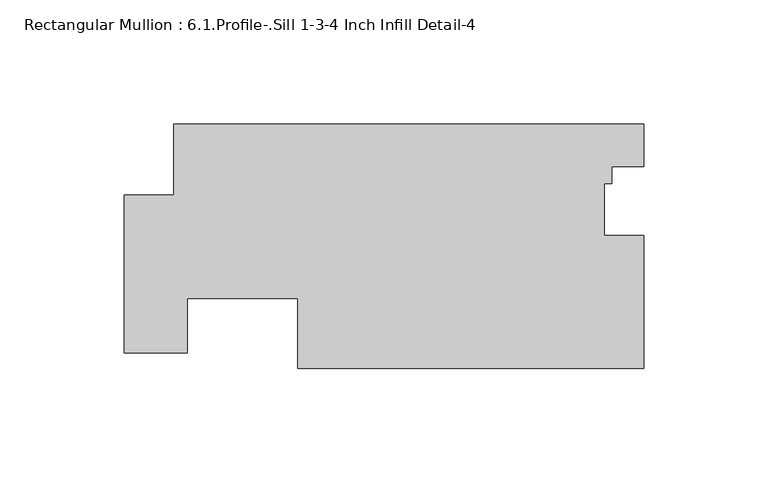
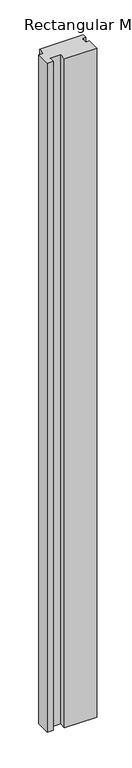
"""IFC4 building model written with IfcOpenShell, lengths in millimetres: member geometry, Rectangular Mullion : 6.1.Profile-.Sill 1-3-4 Inch Infill Detail-4."""

from ifc_helpers import new_model, si_unit, frame, origin, place, context, project, spatial, polyline, outline, extrude, source, transform, mapped, element, save


def rectangular_mullion_6_1_profile_sill_1_3_4_inch_infill_c3f0df9b(model_context):
    return source(origin(), model_context, "Body", "SweptSolid", [
        extrude(outline(polyline([(0.0, -44.0386673), (-139.1919944, -44.0386673), (-139.1919944, -15.8408619), (-183.6419944, -15.8408619), (-183.6419944, -37.6886702), (-209.0419944, -37.6886702), (-209.0419944, 25.8113298), (-193.7314465, 25.8113298), (-189.066111, 25.8113298), (-189.066111, 54.3863298), (0.0, 54.3863298), (0.0, 37.3810284), (-12.9181085, 37.3810284), (-12.9181085, 30.5230287), (-15.8984045, 30.5230287), (-15.8984045, 9.5763781), (0.0, 9.5763781), (0.0, -44.0386673)])), frame((0.0, 0.0, -3048.0), z_axis=(0.0, 0.0, 1.0), x_axis=(1.0, 0.0, 0.0)), (0.0, 0.0, 1.0), 3048.0),
    ])


if __name__ == "__main__":
    model = new_model("IFC4")
    model_context = context("Model", 3, world=origin())
    ifc_project = project(units=[si_unit("LENGTHUNIT", "METRE", prefix="MILLI")], contexts=[model_context])
    site = spatial("IfcSite", under=ifc_project)
    building = spatial("IfcBuilding", under=site)
    placement = place(None, origin())
    rectangular_mullion_6_1_profile_sill_1_3_4_inch_infill_shape = rectangular_mullion_6_1_profile_sill_1_3_4_inch_infill_c3f0df9b(model_context)
    element("IfcMember", 1, ObjectType="Rectangular Mullion : 6.1.Profile-.Sill 1-3-4 Inch Infill Detail-4", at=placement, inside=building, context=model_context, shape_type="MappedRepresentation", body=[
        mapped(rectangular_mullion_6_1_profile_sill_1_3_4_inch_infill_shape, transform((0.0, 0.0, 0.0), x_axis=(1.0, 0.0, 0.0), y_axis=(0.0, 1.0, 0.0), z_axis=(0.0, 0.0, 1.0))),
    ])
    save(model, "model.ifc")
